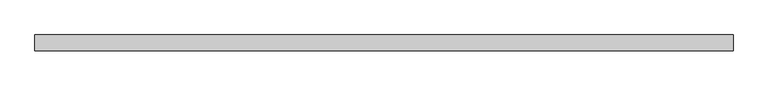
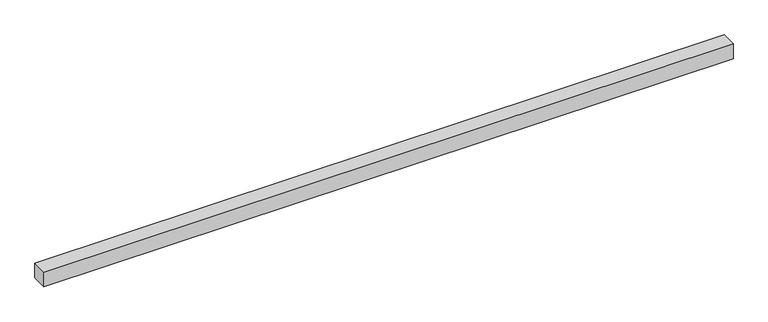
"""IFC4 building model written with IfcOpenShell, lengths in millimetres: beam geometry."""

from ifc_helpers import new_model, si_unit, frame, origin, place, context, project, spatial, polyline, outline, extrude, source, transform, mapped, element, save


def beam_1520f736(model_context):
    return source(origin(), model_context, "Body", "SweptSolid", [
        extrude(outline(polyline([(838.2, -19.05), (-838.2, -19.05), (-838.2, 19.05), (838.2, 19.05), (838.2, -19.05)])), frame((0.0, 0.0, -19.05), z_axis=(0.0, 0.0, 1.0), x_axis=(1.0, 0.0, 0.0)), (0.0, 0.0, 1.0), 38.1),
    ])


if __name__ == "__main__":
    model = new_model("IFC4")
    model_context = context("Model", 3, world=origin())
    ifc_project = project(units=[si_unit("LENGTHUNIT", "METRE", prefix="MILLI")], contexts=[model_context])
    site = spatial("IfcSite", under=ifc_project)
    building = spatial("IfcBuilding", under=site)
    placement = place(None, origin())
    beam_shape = beam_1520f736(model_context)
    element("IfcBeam", 1, at=placement, inside=building, context=model_context, shape_type="MappedRepresentation", body=[
        mapped(beam_shape, transform((0.0, 0.0, 0.0), x_axis=(1.0, 0.0, 0.0), y_axis=(0.0, 1.0, 0.0), z_axis=(0.0, 0.0, 1.0))),
    ])
    save(model, "model.ifc")
